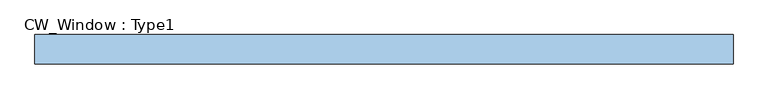
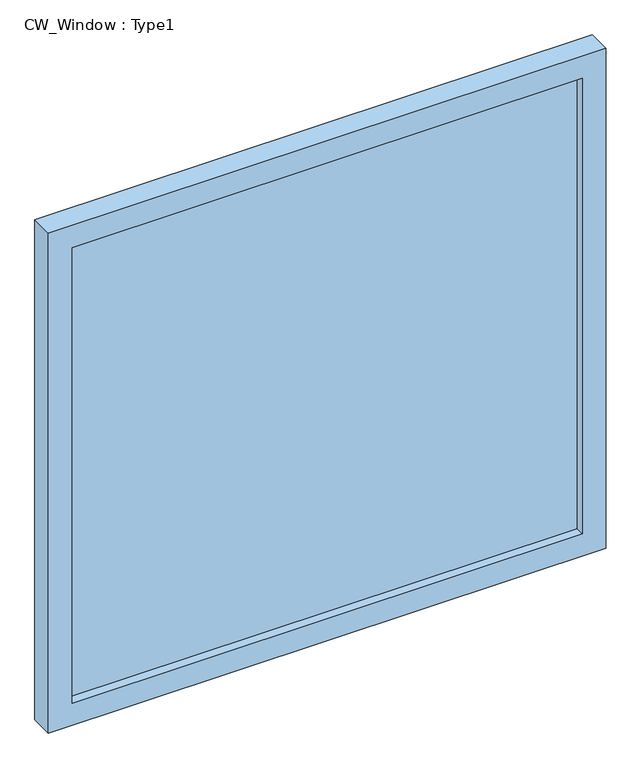
"""IFC4 building model written with IfcOpenShell, lengths in millimetres: window geometry, CW_Window : Type1."""

from ifc_helpers import new_model, si_unit, frame, origin, place, context, project, spatial, polyline, outline, extrude, source, transform, mapped, element, save


def cw_window_type1_364a0bfa(model_context):
    return source(origin(), model_context, "Body", "SweptSolid", [
        extrude(outline(polyline([(1140.8833333, -602.0943321), (0.0, -602.0943321), (0.0, 602.0943321), (1140.8833333, 602.0943321), (1140.8833333, -602.0943321)]), holes=[polyline([(1090.0833333, -551.2943321), (1090.0833333, 551.2943321), (50.8, 551.2943321), (50.8, -551.2943321), (1090.0833333, -551.2943321)])]), frame((0.0, -50.8, 0.0), z_axis=(0.0, 1.0, 0.0), x_axis=(0.0, 0.0, 1.0)), (0.0, 0.0, 1.0), 50.8),
        extrude(outline(polyline([(551.2943321, -31.75), (-551.2943321, -31.75), (-551.2943321, -19.05), (551.2943321, -19.05), (551.2943321, -31.75)])), frame((0.0, 0.0, 50.8), z_axis=(0.0, 0.0, 1.0), x_axis=(1.0, 0.0, 0.0)), (0.0, 0.0, 1.0), 1039.2833333),
    ])


if __name__ == "__main__":
    model = new_model("IFC4")
    model_context = context("Model", 3, world=origin())
    ifc_project = project(units=[si_unit("LENGTHUNIT", "METRE", prefix="MILLI")], contexts=[model_context])
    site = spatial("IfcSite", under=ifc_project)
    building = spatial("IfcBuilding", under=site)
    placement = place(None, origin())
    cw_window_type1_shape = cw_window_type1_364a0bfa(model_context)
    element("IfcWindow", 1, ObjectType="CW_Window : Type1", at=placement, inside=building, context=model_context, shape_type="MappedRepresentation", body=[
        mapped(cw_window_type1_shape, transform((0.0, 0.0, 0.0), x_axis=(1.0, 0.0, 0.0), y_axis=(0.0, 1.0, 0.0), z_axis=(0.0, 0.0, 1.0))),
    ])
    save(model, "model.ifc")
